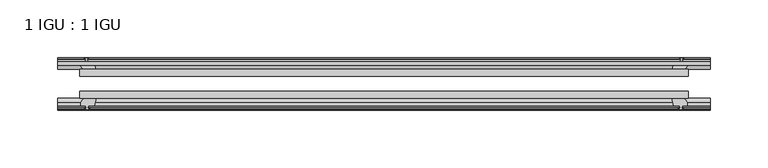
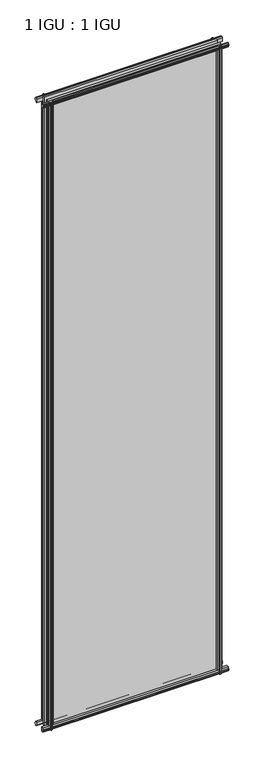
"""IFC4 building model written with IfcOpenShell, lengths in millimetres: plate geometry, 1 IGU : 1 IGU."""

from ifc_helpers import new_model, si_unit, frame, origin, place, context, project, spatial, polyline, outline, extrude, source, transform, mapped, element, save


def plate_1_igu_1_igu_7fca56ee(model_context):
    return source(origin(), model_context, "Body", "SweptSolid", [
        extrude(outline(polyline([(-263.5583983, -38.6468937), (263.5583983, -38.6468937), (263.5583983, -44.9460938), (-263.5583983, -44.9460938), (-263.5583983, -38.6468937)])), frame((0.0, 0.0, -12.7), z_axis=(0.0, 0.0, 1.0), x_axis=(1.0, 0.0, 0.0)), (0.0, 0.0, 1.0), 2019.2872996),
        extrude(outline(polyline([(-263.5583983, -19.5460937), (263.5583983, -19.5460937), (263.5583983, -25.8960938), (-263.5583983, -25.8960938), (-263.5583983, -19.5460937)])), frame((0.0, 0.0, -12.7), z_axis=(0.0, 0.0, 1.0), x_axis=(1.0, 0.0, 0.0)), (0.0, 0.0, 1.0), 2019.2872996),
        extrude(outline(polyline([(-44.9460937, 1.7177181), (-44.9460937, -9.1036578), (-48.3496937, -11.938), (-51.2960937, -11.938), (-51.2960937, -7.493), (-53.6762907, -7.112), (-53.2163575, -8.5275291), (-54.0175717, -8.5275291), (-54.7250937, -6.35), (-54.0175717, -4.1724709), (-53.2163575, -4.1724709), (-53.6762907, -5.588), (-51.2960937, -5.207), (-51.2960937, 0.0), (-44.9460937, 1.7177181)])), frame((-282.6083983, 0.0, 0.0), z_axis=(1.0, 0.0, 0.0), x_axis=(0.0, 1.0, 0.0)), (0.0, 0.0, 1.0), 565.2167966),
        extrude(outline(polyline([(-13.1960937, -12.4587), (-16.1424937, -12.4587), (-19.5460937, -9.6243578), (-19.5460937, 1.1970181), (-13.1960937, -0.5207), (-13.1960937, -5.7277), (-10.8158968, -6.1087), (-11.27583, -4.6931709), (-10.4746158, -4.6931709), (-9.7670937, -6.8707), (-10.4746158, -9.0482291), (-11.27583, -9.0482291), (-10.8158968, -7.6327), (-13.1960937, -8.0137), (-13.1960937, -12.4587)])), frame((-282.6083983, 0.0, 0.0), z_axis=(1.0, 0.0, 0.0), x_axis=(0.0, 1.0, 0.0)), (0.0, 0.0, 1.0), 565.2167966),
        extrude(outline(polyline([(-51.2960937, 2005.8252996), (-48.3496937, 2005.8252996), (-44.9460937, 2002.9909574), (-44.9460937, 1992.1695815), (-51.2960937, 1993.8872996), (-51.2960937, 1999.0942996), (-53.6762907, 1999.4752996), (-53.2163575, 1998.0597705), (-54.0175717, 1998.0597705), (-54.7250937, 2000.2372996), (-54.0175717, 2002.4148286), (-53.2163575, 2002.4148286), (-53.6762907, 2000.9992996), (-51.2960937, 2001.3802996), (-51.2960937, 2005.8252996)])), frame((-282.6083983, 0.0, 0.0), z_axis=(1.0, 0.0, 0.0), x_axis=(0.0, 1.0, 0.0)), (0.0, 0.0, 1.0), 565.2167966),
        extrude(outline(polyline([(-19.5460937, 1992.6902815), (-19.5460937, 2003.5116574), (-16.1424937, 2006.3459996), (-13.1960937, 2006.3459996), (-13.1960937, 2001.9009996), (-10.8158968, 2001.5199996), (-11.27583, 2002.9355286), (-10.4746158, 2002.9355286), (-9.7670937, 2000.7579996), (-10.4746158, 1998.5804705), (-11.27583, 1998.5804705), (-10.8158968, 1999.9959996), (-13.1960937, 1999.6149996), (-13.1960937, 1994.4079996), (-19.5460937, 1992.6902815)])), frame((-282.6083983, 0.0, 0.0), z_axis=(1.0, 0.0, 0.0), x_axis=(0.0, 1.0, 0.0)), (0.0, 0.0, 1.0), 565.2167966),
        extrude(outline(polyline([(249.6613802, -19.5460938), (251.3790983, -13.1960938), (256.5860983, -13.1960938), (256.9670983, -10.8158968), (255.5515693, -11.27583), (255.5515693, -10.4746158), (257.7290983, -9.7670938), (259.9066274, -10.4746158), (259.9066274, -11.27583), (258.4910983, -10.8158968), (258.8720983, -13.1960938), (263.3170983, -13.1960938), (263.3170983, -16.1424938), (260.4827561, -19.5460938), (249.6613802, -19.5460938)])), frame((0.0, 0.0, -12.7), z_axis=(0.0, 0.0, 1.0), x_axis=(1.0, 0.0, 0.0)), (0.0, 0.0, 1.0), 2019.2872997),
        extrude(outline(polyline([(249.1406802, -44.9460938), (259.9620561, -44.9460938), (262.7963983, -48.3496938), (262.7963983, -51.2960938), (258.3513983, -51.2960938), (257.9703983, -53.6762907), (259.3859274, -53.2163575), (259.3859274, -54.0175717), (257.2083983, -54.7250938), (255.0308693, -54.0175717), (255.0308693, -53.2163575), (256.4463983, -53.6762907), (256.0653983, -51.2960938), (250.8583983, -51.2960938), (249.1406802, -44.9460938)])), frame((0.0, 0.0, -12.7), z_axis=(0.0, 0.0, 1.0), x_axis=(1.0, 0.0, 0.0)), (0.0, 0.0, 1.0), 2019.2872997),
        extrude(outline(polyline([(-257.7290983, -9.7670937), (-255.5515693, -10.4746158), (-255.5515693, -11.27583), (-256.9670983, -10.8158968), (-256.5860983, -13.1960937), (-251.3790983, -13.1960937), (-249.6613802, -19.5460937), (-260.4827561, -19.5460937), (-263.3170983, -16.1424937), (-263.3170983, -13.1960937), (-258.8720983, -13.1960937), (-258.4910983, -10.8158968), (-259.9066274, -11.27583), (-259.9066274, -10.4746158), (-257.7290983, -9.7670937)])), frame((0.0, 0.0, -12.7), z_axis=(0.0, 0.0, 1.0), x_axis=(1.0, 0.0, 0.0)), (0.0, 0.0, 1.0), 2019.2872997),
        extrude(outline(polyline([(-262.7963983, -48.3496937), (-259.9620561, -44.9460937), (-249.1406802, -44.9460937), (-250.8583983, -51.2960937), (-256.0653983, -51.2960937), (-256.4463983, -53.6762907), (-255.0308693, -53.2163575), (-255.0308693, -54.0175717), (-257.2083983, -54.7250937), (-259.3859274, -54.0175717), (-259.3859274, -53.2163575), (-257.9703983, -53.6762907), (-258.3513983, -51.2960937), (-262.7963983, -51.2960937), (-262.7963983, -48.3496937)])), frame((0.0, 0.0, -12.7), z_axis=(0.0, 0.0, 1.0), x_axis=(1.0, 0.0, 0.0)), (0.0, 0.0, 1.0), 2019.2872997),
    ])


if __name__ == "__main__":
    model = new_model("IFC4")
    model_context = context("Model", 3, world=origin())
    ifc_project = project(units=[si_unit("LENGTHUNIT", "METRE", prefix="MILLI")], contexts=[model_context])
    site = spatial("IfcSite", under=ifc_project)
    building = spatial("IfcBuilding", under=site)
    placement = place(None, origin())
    plate_1_igu_1_igu_shape = plate_1_igu_1_igu_7fca56ee(model_context)
    element("IfcPlate", 1, ObjectType="1 IGU : 1 IGU", at=placement, inside=building, context=model_context, shape_type="MappedRepresentation", body=[
        mapped(plate_1_igu_1_igu_shape, transform((0.0, 0.0, 0.0), x_axis=(1.0, 0.0, 0.0), y_axis=(0.0, 1.0, 0.0), z_axis=(0.0, 0.0, 1.0))),
    ])
    save(model, "model.ifc")
